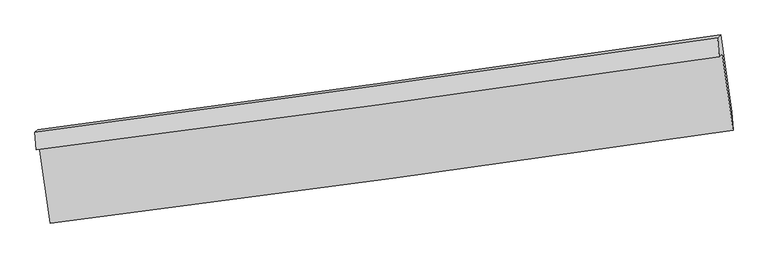
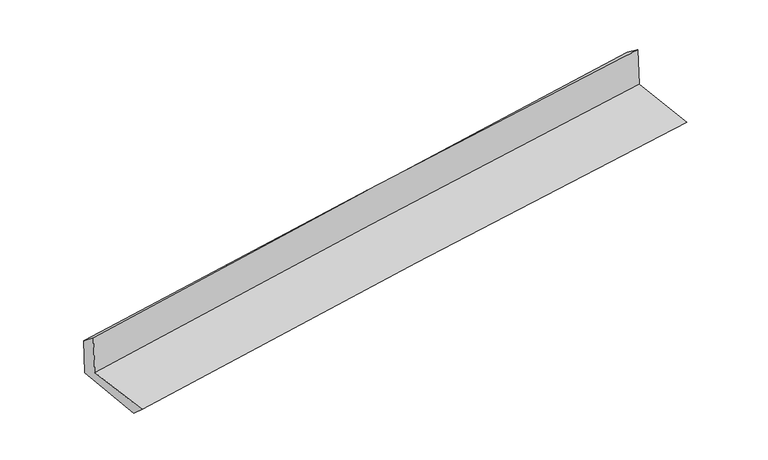
"""IFC4 building model written with IfcOpenShell, lengths in millimetres: proxy geometry."""

from ifc_helpers import new_model, si_unit, frame, origin, place, context, project, spatial, source, transform, mapped, element, save
from ifc_brep_helpers import plane_surface, spline_curve, spline_surface, advanced_brep


def generic_models_363dab72(model_context):
    return source(origin(), model_context, "Body", "AdvancedBrep", [
        advanced_brep(
        [(-2995.8103388, -1898.9485542, 1642.324628), (-2903.313646, -2563.1397249, 1621.3492065), (3037.5088397, -1754.9275488, 2101.743682), (2943.650642, -1089.0683416, 2137.6862224), (-3024.9285338, -1925.3183751, 2040.5377963), (2915.0789444, -1114.943167, 2528.4241943), (-3035.6113647, -1775.0986899, 1920.701017), (2902.6632562, -949.7618281, 2405.0675479), (-3009.0047488, -1751.776522, 1558.1214374), (2929.1057425, -926.5835289, 2044.7246315), (-2911.3816958, -2434.4165226, 1505.4441829), (3024.869151, -1596.8950639, 1992.9919424)],
        [
            (0, 1),
            (1, 2, spline_curve(3, [(-2903.313646, -2563.1397249, 1621.3492065), (-1910.276164803, -2439.225656963, 1728.993518945), (-917.027995799, -2309.67290481, 1822.937004626), (1063.248973133, -2040.193714983, 1982.885943308), (2050.274966261, -1900.342408487, 2049.073949416), (3037.5088397, -1754.9275488, 2101.743682)], [4, 2, 4], [0.0, 9.900823832976563, 19.735465928537742])),
            (2, 3),
            (3, 0, spline_curve(3, [(2943.650642, -1089.0683416, 2137.6862224), (1956.622553858, -1232.774166688, 2075.071364368), (969.812497273, -1371.906162536, 2002.655211586), (-1010.01077369, -1641.927999393, 1837.66703877), (-2003.021044524, -1772.756074029, 1744.96265983), (-2995.8103388, -1898.9485542, 1642.324628)], [4, 2, 4], [0.0, 9.834642095561179, 19.735465928537742])),
            (4, 0),
            (3, 5),
            (5, 4, spline_curve(3, [(2915.0789444, -1114.943167, 2528.4241943), (1927.435138569, -1259.192916137, 2474.212136367), (940.27095448, -1398.638759832, 2406.630235055), (-1039.738015025, -1668.828702229, 2244.181984583), (-2032.576323911, -1799.507927774, 2149.135086518), (-3024.9285338, -1925.3183751, 2040.5377963)], [4, 2, 4], [0.0, 9.834690159190108, 19.735562379237415])),
            (6, 4),
            (5, 7),
            (7, 6, spline_curve(3, [(2902.6632562, -949.7618281, 2405.0675479), (1916.741384998, -1093.252303822, 2327.585276303), (930.584493436, -1233.555693991, 2248.620608434), (-1048.837206207, -1508.711020196, 2087.185116632), (-2042.105188513, -1643.519917335, 2004.694274234), (-3035.6113647, -1775.0986899, 1920.701017)], [4, 2, 4], [0.0, 9.834224051448249, 19.734627027104708])),
            (8, 6),
            (7, 9),
            (9, 8, spline_curve(3, [(2929.1057425, -926.5835289, 2044.7246315), (1943.722424972, -1069.601932784, 1959.903261408), (957.849299361, -1209.656586514, 1877.071598537), (-1021.514250128, -1484.76094034, 1714.843664519), (-2015.011287866, -1619.770617616, 1635.474262794), (-3009.0047488, -1751.776522, 1558.1214374)], [4, 2, 4], [0.0, 9.833911879166862, 19.734000581794014])),
            (10, 8),
            (9, 11),
            (11, 10, spline_curve(3, [(3024.869151, -1596.8950639, 1992.9919424), (2038.365820349, -1733.338573874, 1915.450529201), (1052.084742811, -1871.115249829, 1836.192864304), (-926.668540887, -2150.271065767, 1673.700120729), (-1919.137745608, -2291.668209518, 1590.441866212), (-2911.3816958, -2434.4165226, 1505.4441829)], [4, 2, 4], [0.0, 9.833808394954655, 19.733792916977713])),
            (1, 10),
            (11, 2),
        ],
        [
            spline_surface(3, 3, [[(-2995.8103388, -1898.9485542, 1642.324628), (-2003.021044396, -1772.756074104, 1744.962659896), (-1010.01077385, -1641.927999328, 1837.667038709), (969.812497432, -1371.9061626, 2002.655211647), (1956.622553806, -1232.774166554, 2075.071364335), (2943.650642, -1089.0683416, 2137.6862224)], [(-2964.978107875, -2120.345611069, 1635.332820822), (-1972.106084505, -1994.912601724, 1739.639612904), (-979.016514531, -1864.509634534, 1832.757027378), (1000.957989378, -1594.668680071, 1996.065455519), (1987.840024648, -1455.296913843, 2066.40555934), (2974.936707895, -1311.021410682, 2125.705375606)], [(-2934.145876925, -2341.742668031, 1628.341013678), (-1941.191124589, -2217.069129438, 1734.316565944), (-948.022255234, -2087.091269657, 1827.847016025), (1032.103481303, -1817.431197459, 1989.475699369), (2019.057495505, -1677.819661086, 2057.739754327), (3006.222773805, -1532.974479718, 2113.724528794)], [(-2903.313646, -2563.1397249, 1621.3492065), (-1910.276164698, -2439.225657058, 1728.993518951), (-917.027995916, -2309.672904863, 1822.937004694), (1063.248973248, -2040.19371493, 1982.885943241), (2050.274966347, -1900.342408375, 2049.073949332), (3037.5088397, -1754.9275488, 2101.743682)]], [4, 4], [4, 2, 4], [0.0, 2.213601736443224], [0.0, 9.900823832976563, 19.735465928537742]),
            spline_surface(3, 3, [[(-3024.9285338, -1925.3183751, 2040.5377963), (-2032.576323759, -1799.507927847, 2149.135086605), (-1039.738015093, -1668.828702129, 2244.181984586), (940.270954547, -1398.638759931, 2406.630235052), (1927.435138603, -1259.192916269, 2474.212136418), (2915.0789444, -1114.943167, 2528.4241943)], [(-3015.222468802, -1916.528434807, 1907.800073549), (-2022.724563973, -1790.590643273, 2014.410944384), (-1029.828934671, -1659.861801181, 2108.677002627), (950.118135517, -1389.72789414, 2271.971893917), (1937.164277003, -1250.386666342, 2341.165212396), (2924.602843599, -1106.318225178, 2398.178203672)], [(-3005.516403798, -1907.738494493, 1775.062350751), (-2012.872804182, -1781.673358678, 1879.686802117), (-1019.919854273, -1650.894900276, 1973.172020668), (959.965316462, -1380.817028391, 2137.313552782), (1946.893415406, -1241.58041648, 2208.118288357), (2934.126742801, -1097.693283422, 2267.932213028)], [(-2995.8103388, -1898.9485542, 1642.324628), (-2003.021044396, -1772.756074104, 1744.962659896), (-1010.01077385, -1641.927999328, 1837.667038709), (969.812497432, -1371.9061626, 2002.655211647), (1956.622553806, -1232.774166554, 2075.071364335), (2943.650642, -1089.0683416, 2137.6862224)]], [4, 4], [4, 2, 4], [0.0, 1.3360218917251623], [0.0, 9.900872220047306, 19.735562379237415]),
            spline_surface(3, 3, [[(-3035.6113647, -1775.0986899, 1920.701017), (-2042.105188373, -1643.519917412, 2004.694274082), (-1048.837206316, -1508.711020218, 2087.185116665), (930.584493545, -1233.555693969, 2248.6206084), (1916.741385144, -1093.252303862, 2327.585276145), (2902.6632562, -949.7618281, 2405.0675479)], [(-3032.050421077, -1825.171918316, 1960.646610089), (-2038.928900179, -1695.515920906, 2052.841211579), (-1045.804142574, -1562.083580849, 2139.517405945), (933.81331388, -1288.583382617, 2301.290483924), (1920.305969636, -1148.565841336, 2376.460896232), (2906.80181894, -1004.822274405, 2446.186430029)], [(-3028.489477423, -1875.245146684, 2000.592203211), (-2035.752611953, -1747.511924353, 2100.988149108), (-1042.771078836, -1615.456141498, 2191.849695306), (937.042134212, -1343.611071283, 2353.960359528), (1923.87055411, -1203.879378796, 2425.336516331), (2910.94038166, -1059.882720695, 2487.305312171)], [(-3024.9285338, -1925.3183751, 2040.5377963), (-2032.576323759, -1799.507927847, 2149.135086605), (-1039.738015093, -1668.828702129, 2244.181984586), (940.270954547, -1398.638759931, 2406.630235052), (1927.435138603, -1259.192916269, 2474.212136418), (2915.0789444, -1114.943167, 2528.4241943)]], [4, 4], [4, 2, 4], [0.0, 0.7432946326497059], [0.0, 9.900402975656458, 19.734627027104708]),
            spline_surface(3, 3, [[(-3009.0047488, -1751.776522, 1558.1214374), (-2015.011287953, -1619.770617726, 1635.474262753), (-1021.51425003, -1484.76094046, 1714.843664498), (957.849299263, -1209.656586395, 1877.071598559), (1943.722425123, -1069.601932626, 1959.903261539), (2929.1057425, -926.5835289, 2044.7246315)], [(-3017.873620755, -1759.550577948, 1678.981297259), (-2024.042588082, -1627.687050937, 1758.547599856), (-1030.621902114, -1492.744300375, 1838.95748191), (948.761030702, -1217.622955582, 2000.92126853), (1934.728745139, -1077.485389703, 2082.463933066), (2920.291580409, -934.309628632, 2164.838936958)], [(-3026.742492745, -1767.324633952, 1799.841157141), (-2033.073888245, -1635.603484202, 1881.62093698), (-1039.729554232, -1500.727660303, 1963.071299252), (939.672762106, -1225.589324782, 2124.770938429), (1925.735065128, -1085.368846785, 2205.024604618), (2911.477418291, -942.035728368, 2284.953242442)], [(-3035.6113647, -1775.0986899, 1920.701017), (-2042.105188373, -1643.519917412, 2004.694274082), (-1048.837206316, -1508.711020218, 2087.185116665), (930.584493545, -1233.555693969, 2248.6206084), (1916.741385144, -1093.252303862, 2327.585276145), (2902.6632562, -949.7618281, 2405.0675479)]], [4, 4], [4, 2, 4], [0.0, 1.2260973383239522], [0.0, 9.900088702627151, 19.734000581794014]),
            spline_surface(3, 3, [[(-2911.3816958, -2434.4165226, 1505.4441829), (-1919.137745458, -2291.668209675, 1590.441866068), (-926.66854084, -2150.271065928, 1673.700120888), (1052.084742763, -1871.11524967, 1836.192864146), (2038.365820428, -1733.338573875, 1915.450529144), (3024.869151, -1596.8950639, 1992.9919424)], [(-2943.922713475, -2206.869855742, 1523.003267755), (-1951.095592965, -2067.7023457, 1605.452664985), (-958.283777248, -1928.43435744, 1687.4146354), (1020.672928252, -1650.62902858, 1849.819108926), (2006.818021984, -1512.093026813, 1930.268106611), (2992.948014824, -1373.457885588, 2010.236172101)], [(-2976.463731125, -1979.323188858, 1540.562352545), (-1983.053440446, -1843.736481701, 1620.463463837), (-989.899013622, -1706.597648948, 1701.129149985), (989.261113774, -1430.142807485, 1863.445353779), (1975.270223567, -1290.847479688, 1945.085684073), (2961.026878676, -1150.020707212, 2027.480401799)], [(-3009.0047488, -1751.776522, 1558.1214374), (-2015.011287953, -1619.770617726, 1635.474262753), (-1021.51425003, -1484.76094046, 1714.843664498), (957.849299263, -1209.656586395, 1877.071598559), (1943.722425123, -1069.601932626, 1959.903261539), (2929.1057425, -926.5835289, 2044.7246315)]], [4, 4], [4, 2, 4], [0.0, 2.2029320905657253], [0.0, 9.899984522023058, 19.733792916977713]),
            spline_surface(3, 3, [[(-2903.313646, -2563.1397249, 1621.3492065), (-1910.276164698, -2439.225657058, 1728.993518951), (-917.027995916, -2309.672904863, 1822.937004694), (1063.248973248, -2040.19371493, 1982.885943241), (2050.274966347, -1900.342408375, 2049.073949332), (3037.5088397, -1754.9275488, 2101.743682)], [(-2906.002995916, -2520.231990819, 1582.714198625), (-1913.230024934, -2390.039841282, 1682.809634649), (-920.241510907, -2256.538958547, 1773.191376779), (1059.52756307, -1983.834226505, 1933.988250229), (2046.30525104, -1844.674463524, 2004.532809269), (3033.295610133, -1702.250053815, 2065.493102133)], [(-2908.692345884, -2477.324256681, 1544.079190775), (-1916.183885222, -2340.85402545, 1636.625750371), (-923.455025848, -2203.405012244, 1723.445748803), (1055.806152942, -1927.474738095, 1885.090557158), (2042.335535735, -1789.006518726, 1959.991669207), (3029.082380567, -1649.572558885, 2029.242522267)], [(-2911.3816958, -2434.4165226, 1505.4441829), (-1919.137745458, -2291.668209675, 1590.441866068), (-926.66854084, -2150.271065928, 1673.700120888), (1052.084742763, -1871.11524967, 1836.192864146), (2038.365820428, -1733.338573875, 1915.450529144), (3024.869151, -1596.8950639, 1992.9919424)]], [4, 4], [4, 2, 4], [0.0, 0.7260094500013242], [0.0, 9.900210038173272, 19.734242441822715]),
            plane_surface(frame((2958.8127626, -1238.6965797, 2201.7730367), z_axis=(0.9875420924651209, 0.13482214106366047, 0.08113942253073361), x_axis=(-0.07303454803826723, -0.06401881383392051, 0.9952725989738409))),
            plane_surface(frame((-2980.008388, -2058.1163981, 1714.746378), z_axis=(-0.987522390537712, -0.13496184138707557, -0.08114696270405278), x_axis=(-0.13786363964542833, 0.9899576887791417, 0.03126325784008597))),
        ],
        [
            (0, [[1, 2, 3, 4]]),
            (1, [[5, -4, 6, 7]]),
            (2, [[8, -7, 9, 10]]),
            (3, [[11, -10, 12, 13]]),
            (4, [[14, -13, 15, 16]]),
            (5, [[17, -16, 18, -2]]),
            (6, [[-12, -9, -6, -3, -18, -15]]),
            (7, [[-1, -5, -8, -11, -14, -17]]),
        ],
    ),
    ])


if __name__ == "__main__":
    model = new_model("IFC4")
    model_context = context("Model", 3, world=origin())
    ifc_project = project(units=[si_unit("LENGTHUNIT", "METRE", prefix="MILLI")], contexts=[model_context])
    site = spatial("IfcSite", under=ifc_project)
    building = spatial("IfcBuilding", under=site)
    placement = place(None, origin())
    generic_models_shape = generic_models_363dab72(model_context)
    element("IfcBuildingElementProxy", 1, Name="Generic Models", at=placement, inside=building, context=model_context, shape_type="MappedRepresentation", body=[
        mapped(generic_models_shape, transform((0.0, 0.0, 0.0), x_axis=(1.0, 0.0, 0.0), y_axis=(0.0, 1.0, 0.0), z_axis=(0.0, 0.0, 1.0))),
    ])
    save(model, "model.ifc")
